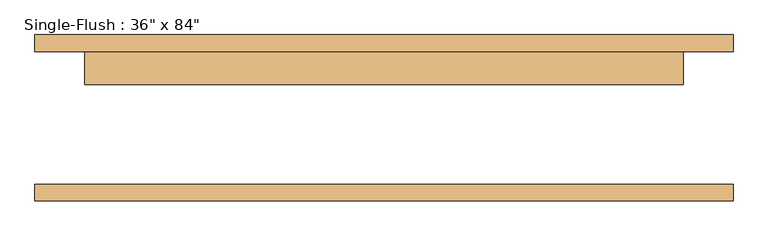
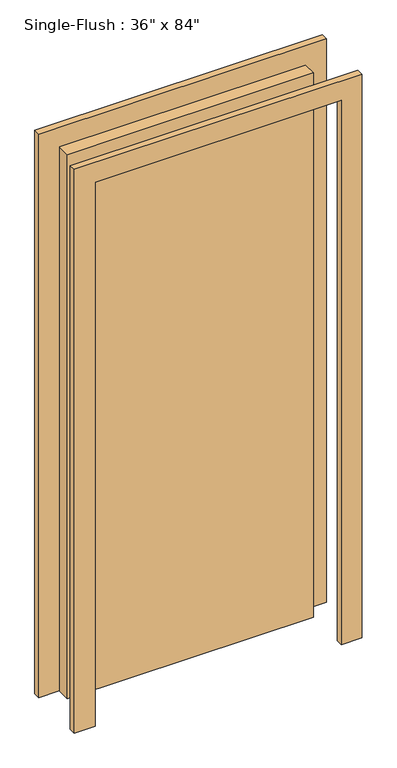
"""IFC4 building model written with IfcOpenShell, lengths in millimetres: door geometry."""

from ifc_helpers import new_model, si_unit, frame, origin, origin_with_axes, place, context, project, spatial, polyline, outline, extrude, source, transform, mapped, element, save


def door_54dd4da4(model_context):
    return source(origin(), model_context, "Body", "SweptSolid", [
        extrude(outline(polyline([(2209.8, -533.4), (0.0, -533.4), (0.0, -457.2), (2133.6, -457.2), (2133.6, 457.2), (0.0, 457.2), (0.0, 533.4), (2209.8, 533.4), (2209.8, -533.4)])), frame((0.0, 101.6, 0.0), z_axis=(0.0, 1.0, 0.0), x_axis=(0.0, 0.0, 1.0)), (0.0, 0.0, 1.0), 25.4),
        extrude(outline(polyline([(2209.8, 533.4), (2209.8, -533.4), (0.0, -533.4), (0.0, -457.2), (2133.6, -457.2), (2133.6, 457.2), (0.0, 457.2), (0.0, 533.4), (2209.8, 533.4)])), frame((0.0, -127.0, 0.0), z_axis=(0.0, 1.0, 0.0), x_axis=(0.0, 0.0, 1.0)), (0.0, 0.0, 1.0), 25.4),
        extrude(outline(polyline([(457.2, 50.8), (-457.2, 50.8), (-457.2, 101.6), (457.2, 101.6), (457.2, 50.8)])), origin_with_axes(), (0.0, 0.0, 1.0), 2133.6),
    ])


if __name__ == "__main__":
    model = new_model("IFC4")
    model_context = context("Model", 3, world=origin())
    ifc_project = project(units=[si_unit("LENGTHUNIT", "METRE", prefix="MILLI")], contexts=[model_context])
    site = spatial("IfcSite", under=ifc_project)
    building = spatial("IfcBuilding", under=site)
    placement = place(None, origin())
    door_shape = door_54dd4da4(model_context)
    element("IfcDoor", 1, ObjectType="Single-Flush : 36\" x 84\"", at=placement, inside=building, context=model_context, shape_type="MappedRepresentation", body=[
        mapped(door_shape, transform((0.0, 0.0, 0.0), x_axis=(1.0, 0.0, 0.0), y_axis=(0.0, 1.0, 0.0), z_axis=(0.0, 0.0, 1.0))),
    ])
    save(model, "model.ifc")
